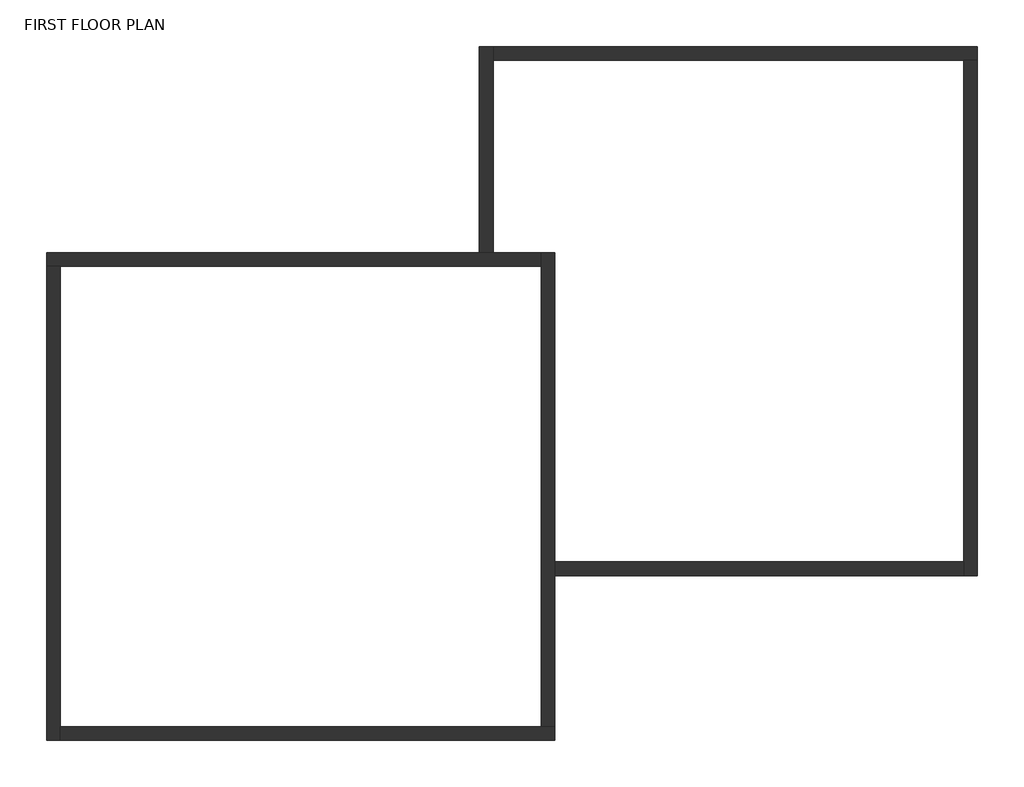
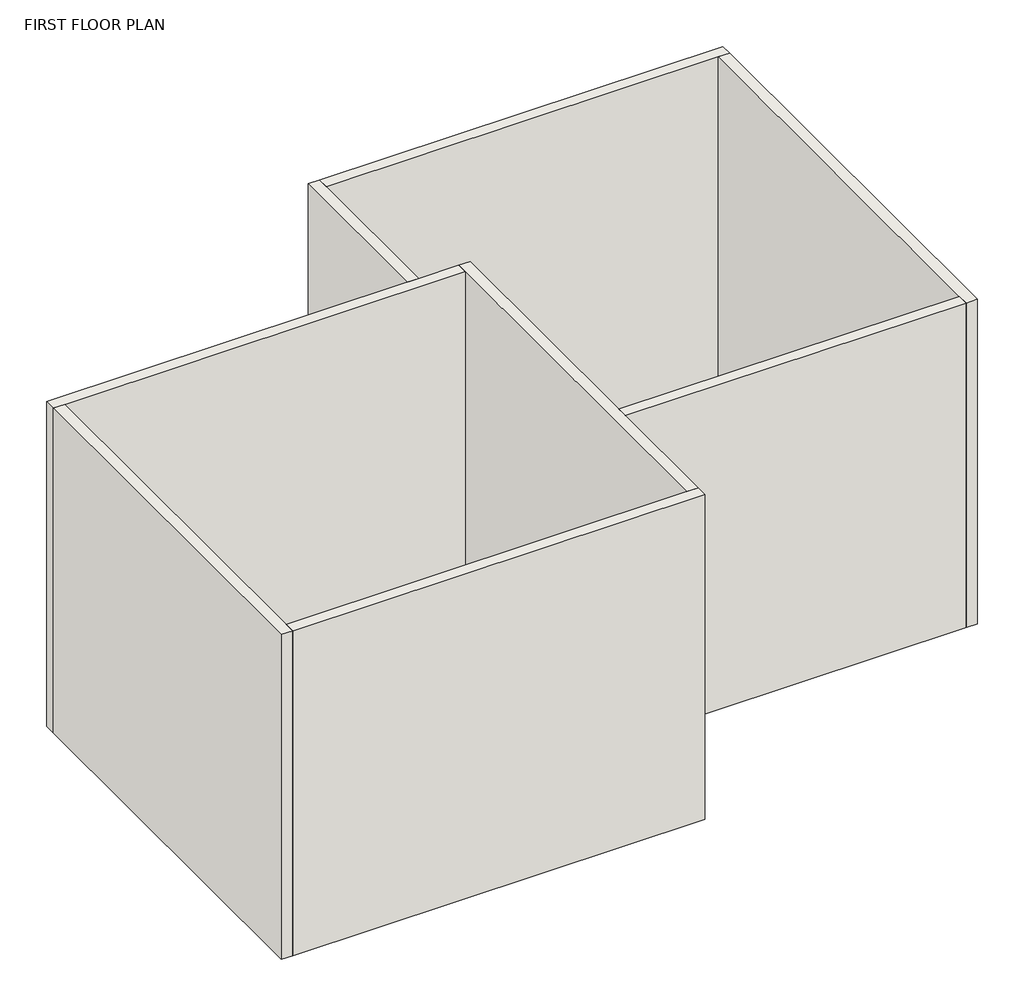
# One storey: 8 walls.
"""IFC4 building model written with IfcOpenShell, lengths in millimetres."""

from ifc_helpers import new_model, si_unit, origin, origin_with_axes, place, context, project, spatial, polyline, outline, extrude, faceted_brep, element, save

model = new_model("IFC4")

# Units and contexts
model_context = context("Model", 3, world=origin())
ifc_project = project(units=[si_unit("LENGTHUNIT", "METRE", prefix="MILLI")], contexts=[model_context])

# Site, building, storey
site = spatial("IfcSite", under=ifc_project)
building = spatial("IfcBuilding", under=site)
storey = spatial("IfcBuildingStorey", under=building, Name="FIRST FLOOR PLAN", Elevation=0.0)

# Walls
placement = place(None, origin())
element("IfcWall", 1, ObjectType="Generic - 8\"", at=placement, inside=storey, context=model_context, shape_type="Brep", body=[
    faceted_brep([(-16284.4647627, 6425.5202933, 0.0), (-16081.2647627, 6425.5202933, 0.0), (-8969.2647627, 6425.5202933, 0.0), (-8969.2647627, 6425.5202933, 6096.0), (-16081.2647627, 6425.5202933, 6096.0), (-16284.4647627, 6425.5202933, 6096.0), (-16284.4647627, 6628.7202933, 0.0), (-16284.4647627, 6628.7202933, 6096.0), (-9883.6647627, 6628.7202933, 6096.0), (-9680.4647627, 6628.7202933, 6096.0), (-8969.2647627, 6628.7202933, 6096.0), (-8969.2647627, 6628.7202933, 0.0), (-9680.4647627, 6628.7202933, 0.0), (-9883.6647627, 6628.7202933, 0.0)], [[[0, 1, 2, 3, 4, 5]], [[6, 7, 8, 9, 10, 11, 12, 13]], [[2, 1, 0, 6, 13, 12, 11]], [[5, 4, 3, 10, 9, 8, 7]], [[0, 5, 7, 6]], [[3, 2, 11, 10]]]),
])
element("IfcWall", 2, ObjectType="Generic - 8\"", at=placement, inside=storey, context=model_context, shape_type="Brep", body=[
    faceted_brep([(-16081.2647627, -584.8797067, 0.0), (-16081.2647627, -381.6797067, 0.0), (-16081.2647627, 6425.5202933, 0.0), (-16081.2647627, 6425.5202933, 6096.0), (-16081.2647627, -381.6797067, 6096.0), (-16081.2647627, -584.8797067, 6096.0), (-16284.4647627, -584.8797067, 0.0), (-16284.4647627, -584.8797067, 6096.0), (-16284.4647627, 6425.5202933, 6096.0), (-16284.4647627, 6425.5202933, 0.0)], [[[0, 1, 2, 3, 4, 5]], [[6, 7, 8, 9]], [[2, 1, 0, 6, 9]], [[5, 4, 3, 8, 7]], [[0, 5, 7, 6]], [[3, 2, 9, 8]]]),
])
element("IfcWall", 3, ObjectType="Generic - 8\"", at=placement, inside=storey, context=model_context, shape_type="Brep", body=[
    faceted_brep([(-8766.0647627, -381.6797067, 0.0), (-8969.2647627, -381.6797067, 0.0), (-16081.2647627, -381.6797067, 0.0), (-16081.2647627, -381.6797067, 6096.0), (-8969.2647627, -381.6797067, 6096.0), (-8766.0647627, -381.6797067, 6096.0), (-8766.0647627, -584.8797067, 0.0), (-8766.0647627, -584.8797067, 6096.0), (-16081.2647627, -584.8797067, 6096.0), (-16081.2647627, -584.8797067, 0.0)], [[[0, 1, 2, 3, 4, 5]], [[6, 7, 8, 9]], [[2, 1, 0, 6, 9]], [[5, 4, 3, 8, 7]], [[0, 5, 7, 6]], [[3, 2, 9, 8]]]),
])
element("IfcWall", 4, ObjectType="Generic - 8\"", at=placement, inside=storey, context=model_context, shape_type="Brep", body=[
    faceted_brep([(-8969.2647627, 6628.7202933, 0.0), (-8969.2647627, 6425.5202933, 0.0), (-8969.2647627, -381.6797067, 0.0), (-8969.2647627, -381.6797067, 6096.0), (-8969.2647627, 6425.5202933, 6096.0), (-8969.2647627, 6628.7202933, 6096.0), (-8766.0647627, 6628.7202933, 0.0), (-8766.0647627, 6628.7202933, 6096.0), (-8766.0647627, 2056.7202933, 6096.0), (-8766.0647627, 1853.5202933, 6096.0), (-8766.0647627, -381.6797067, 6096.0), (-8766.0647627, -381.6797067, 0.0), (-8766.0647627, 1853.5202933, 0.0), (-8766.0647627, 2056.7202933, 0.0)], [[[0, 1, 2, 3, 4, 5]], [[6, 7, 8, 9, 10, 11, 12, 13]], [[2, 1, 0, 6, 13, 12, 11]], [[5, 4, 3, 10, 9, 8, 7]], [[0, 5, 7, 6]], [[3, 2, 11, 10]]]),
])
element("IfcWall", 5, ObjectType="Generic - 8\"", at=placement, inside=storey, context=model_context, shape_type="Brep", body=[
    faceted_brep([(-9680.4647627, 6628.7202933, 0.0), (-9680.4647627, 9473.5202933, 0.0), (-9680.4647627, 9676.7202933, 0.0), (-9680.4647627, 9676.7202933, 6096.0), (-9680.4647627, 9473.5202933, 6096.0), (-9680.4647627, 6628.7202933, 6096.0), (-9883.6647627, 6628.7202933, 0.0), (-9883.6647627, 6628.7202933, 6096.0), (-9883.6647627, 9676.7202933, 6096.0), (-9883.6647627, 9676.7202933, 0.0)], [[[0, 1, 2, 3, 4, 5]], [[6, 7, 8, 9]], [[2, 1, 0, 6, 9]], [[5, 4, 3, 8, 7]], [[0, 5, 7, 6]], [[3, 2, 9, 8]]]),
])
element("IfcWall", 6, ObjectType="Generic - 8\"", at=placement, inside=storey, context=model_context, shape_type="Brep", body=[
    faceted_brep([(-9680.4647627, 9473.5202933, 0.0), (-2720.8647627, 9473.5202933, 0.0), (-2517.6647627, 9473.5202933, 0.0), (-2517.6647627, 9473.5202933, 6096.0), (-2720.8647627, 9473.5202933, 6096.0), (-9680.4647627, 9473.5202933, 6096.0), (-9680.4647627, 9676.7202933, 0.0), (-9680.4647627, 9676.7202933, 6096.0), (-2517.6647627, 9676.7202933, 6096.0), (-2517.6647627, 9676.7202933, 0.0)], [[[0, 1, 2, 3, 4, 5]], [[6, 7, 8, 9]], [[2, 1, 0, 6, 9]], [[5, 4, 3, 8, 7]], [[0, 5, 7, 6]], [[3, 2, 9, 8]]]),
])
element("IfcWall", 7, ObjectType="Generic - 8\"", at=placement, inside=storey, context=model_context, shape_type="Brep", body=[
    faceted_brep([(-2720.8647627, 9473.5202933, 0.0), (-2720.8647627, 2056.7202933, 0.0), (-2720.8647627, 1853.5202933, 0.0), (-2720.8647627, 1853.5202933, 6096.0), (-2720.8647627, 2056.7202933, 6096.0), (-2720.8647627, 9473.5202933, 6096.0), (-2517.6647627, 9473.5202933, 0.0), (-2517.6647627, 9473.5202933, 6096.0), (-2517.6647627, 1853.5202933, 6096.0), (-2517.6647627, 1853.5202933, 0.0)], [[[0, 1, 2, 3, 4, 5]], [[6, 7, 8, 9]], [[2, 1, 0, 6, 9]], [[5, 4, 3, 8, 7]], [[0, 5, 7, 6]], [[3, 2, 9, 8]]]),
])
element("IfcWall", 8, ObjectType="Generic - 8\"", at=placement, inside=storey, context=model_context, shape_type="SweptSolid", body=[
    extrude(outline(polyline([(-8766.0647627, 2056.7202933), (-2720.8647627, 2056.7202933), (-2720.8647627, 1853.5202933), (-8766.0647627, 1853.5202933), (-8766.0647627, 2056.7202933)])), origin_with_axes(), (0.0, 0.0, 1.0), 6096.0),
])

save(model, "model.ifc")
